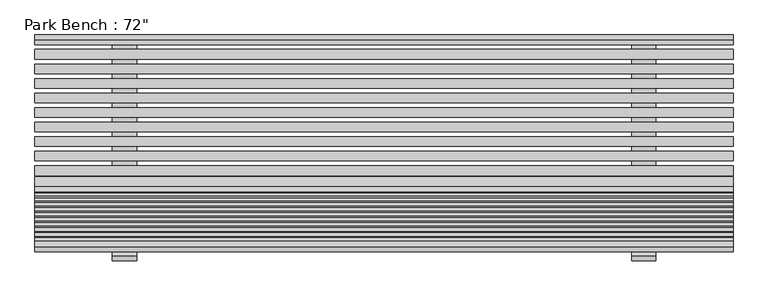
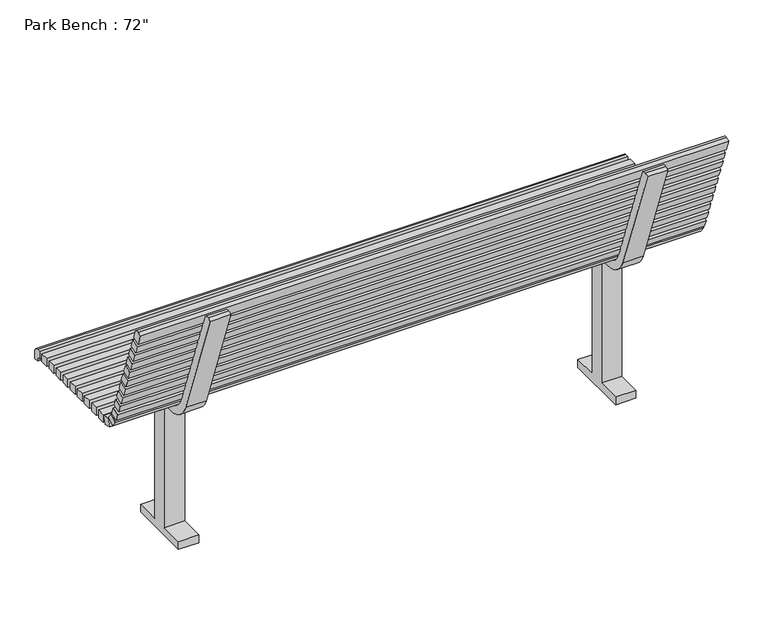
"""IFC4 building model written with IfcOpenShell, lengths in millimetres: geographic element geometry."""

import ifcopenshell
import ifcopenshell.guid

model = None  # the IFC model being written
_history = None  # IfcOwnerHistory: only IFC2X3 demands one
_inside = {}  # id of a spatial element -> (the spatial element, [elements in it])
_under = {}  # id of a project, library or spatial element -> (it, [spatial elements below it])
_declared = {}  # id of a project -> (the project, [libraries it declares])
_typed = {}  # id of a type object -> (the type object, [elements of that type])
_made_of = {}  # id of a material, layer set ... -> (it, [elements and type objects made of it])


def new_model(schema):
    """Start an empty IFC model of exactly this schema.

    Asked for "IFC4X3", IfcOpenShell would pick the latest addendum, in which some entities
    have other attributes; the version numbers below select the first issue.
    IFC2X3 requires an IfcOwnerHistory on every rooted entity: one is made here for all.
    """
    global model, _history
    if schema == "IFC4X3":
        model = ifcopenshell.file(schema_version=(4, 3, 0, 0))
    else:
        model = ifcopenshell.file(schema=schema)
    _inside.clear()
    _under.clear()
    _declared.clear()
    _typed.clear()
    _made_of.clear()
    _history = None
    if model.schema == "IFC2X3":
        org = make("IfcOrganization", Name="unknown")
        user = make(
            "IfcPersonAndOrganization",
            ThePerson=make("IfcPerson", FamilyName="unknown"),
            TheOrganization=org,
        )
        app = make(
            "IfcApplication",
            ApplicationDeveloper=org,
            Version="unknown",
            ApplicationFullName="unknown",
            ApplicationIdentifier="unknown",
        )
        _history = make(
            "IfcOwnerHistory",
            OwningUser=user,
            OwningApplication=app,
            ChangeAction="ADDED",
            CreationDate=0,
        )
    return model


def make(cls, **values):
    """One entity of the class cls with the attributes given. An attribute that is None is left unset."""
    return model.create_entity(
        cls, **{name: value for name, value in values.items() if value is not None}
    )


def rooted(cls, **values):
    """An entity with a GlobalId (a new one), such as an element, a storey or a relation."""
    return make(cls, GlobalId=ifcopenshell.guid.new(), OwnerHistory=_history, **values)


def si_unit(unit_type, name, prefix=None):
    """IfcSIUnit, for example si_unit("LENGTHUNIT", "METRE", prefix="MILLI")."""
    return make("IfcSIUnit", UnitType=unit_type, Prefix=prefix, Name=name)


def assignment(units):
    """IfcUnitAssignment: the units of a project."""
    return None if units is None else make("IfcUnitAssignment", Units=units)


def point(xyz):
    """IfcCartesianPoint."""
    return None if xyz is None else make("IfcCartesianPoint", Coordinates=xyz)


def direction(xyz):
    """IfcDirection."""
    return None if xyz is None else make("IfcDirection", DirectionRatios=xyz)


def frame(location, z_axis=None, x_axis=None):
    """IfcAxis2Placement3D, a coordinate frame: its origin and axes. An axis left out is left unset."""
    return make(
        "IfcAxis2Placement3D",
        Location=point(location),
        Axis=direction(z_axis),
        RefDirection=direction(x_axis),
    )


def frame_2d(location, x_axis=None):
    """IfcAxis2Placement2D, a coordinate frame in the plane: its origin and x axis."""
    return make(
        "IfcAxis2Placement2D", Location=point(location), RefDirection=direction(x_axis)
    )


def origin():
    """The frame at (0, 0, 0) with its axes left unset."""
    return frame((0.0, 0.0, 0.0))


def place(relative_to, where):
    """IfcLocalPlacement: puts the frame where relative to a parent placement (None: the world)."""
    return make(
        "IfcLocalPlacement", PlacementRelTo=relative_to, RelativePlacement=where
    )


def context(
    kind, dimensions, precision=None, world=None, true_north=None, identifier=None
):
    """IfcGeometricRepresentationContext, for example the 3D "Model" context."""
    return make(
        "IfcGeometricRepresentationContext",
        ContextIdentifier=identifier,
        ContextType=kind,
        CoordinateSpaceDimension=dimensions,
        Precision=precision,
        WorldCoordinateSystem=world,
        TrueNorth=true_north,
    )


def project(units=None, contexts=None):
    """IfcProject with its units and contexts."""
    return rooted(
        "IfcProject",
        Name="project",
        RepresentationContexts=contexts,
        UnitsInContext=assignment(units),
    )


def spatial(cls, under=None, at=None, **own):
    """A site, building, storey or space (cls), placed at a placement, below another one or the project."""
    s = rooted(cls, ObjectPlacement=at, **own)
    if under is not None:
        _under.setdefault(under.id(), (under, []))[1].append(s)
    return s


def polyline(points):
    """IfcPolyline through the points."""
    return make("IfcPolyline", Points=[point(p) for p in points])


def circle_curve(where, radius):
    """IfcCircle in the frame where."""
    return make("IfcCircle", Position=where, Radius=radius)


def trimmed(basis, trim1, trim2, sense, master):
    """IfcTrimmedCurve: the piece of a basis curve between two trims."""
    return make(
        "IfcTrimmedCurve",
        BasisCurve=basis,
        Trim1=trim1,
        Trim2=trim2,
        SenseAgreement=sense,
        MasterRepresentation=master,
    )


def segment(curve, same_sense, transition):
    """IfcCompositeCurveSegment."""
    return make(
        "IfcCompositeCurveSegment",
        Transition=transition,
        SameSense=same_sense,
        ParentCurve=curve,
    )


def composite_curve(segments, self_intersect=None):
    """IfcCompositeCurve: segments joined end to end."""
    return make("IfcCompositeCurve", Segments=segments, SelfIntersect=self_intersect)


def outline(outer, holes=None, kind="AREA"):
    """IfcArbitraryClosedProfileDef: a profile drawn as a closed curve; with holes, ...WithVoids."""
    if holes is None:
        return make("IfcArbitraryClosedProfileDef", ProfileType=kind, OuterCurve=outer)
    return make(
        "IfcArbitraryProfileDefWithVoids",
        ProfileType=kind,
        OuterCurve=outer,
        InnerCurves=holes,
    )


def extrude(swept, where, along, depth):
    """IfcExtrudedAreaSolid: the profile swept, set in the frame where, extruded along a direction by depth."""
    return make(
        "IfcExtrudedAreaSolid",
        SweptArea=swept,
        Position=where,
        ExtrudedDirection=direction(along),
        Depth=depth,
    )


def shape(context_of_items, identifier, shape_type, items):
    """IfcShapeRepresentation: the items that make up one representation, for example the "Body"."""
    return make(
        "IfcShapeRepresentation",
        ContextOfItems=context_of_items,
        RepresentationIdentifier=identifier,
        RepresentationType=shape_type,
        Items=items,
    )


def source(mapping_origin, context_of_items, identifier, shape_type, items):
    """IfcRepresentationMap: a shape defined once, which mapped items show again and again."""
    return make(
        "IfcRepresentationMap",
        MappingOrigin=mapping_origin,
        MappedRepresentation=shape(context_of_items, identifier, shape_type, items),
    )


def transform(
    local_origin,
    x_axis=None,
    y_axis=None,
    z_axis=None,
    scale=None,
    scale2=None,
    scale3=None,
    uniform=True,
):
    """IfcCartesianTransformationOperator3D, or its non-uniform kind. x_axis, y_axis, z_axis: its Axis1, 2, 3."""
    if uniform:
        return make(
            "IfcCartesianTransformationOperator3D",
            Axis1=direction(x_axis),
            Axis2=direction(y_axis),
            LocalOrigin=point(local_origin),
            Scale=scale,
            Axis3=direction(z_axis),
        )
    return make(
        "IfcCartesianTransformationOperator3DnonUniform",
        Axis1=direction(x_axis),
        Axis2=direction(y_axis),
        LocalOrigin=point(local_origin),
        Scale=scale,
        Axis3=direction(z_axis),
        Scale2=scale2,
        Scale3=scale3,
    )


def mapped(mapping_source, mapping_target):
    """IfcMappedItem: shows the shape of a source again, moved by a transform."""
    return make(
        "IfcMappedItem", MappingSource=mapping_source, MappingTarget=mapping_target
    )


def made_of(thing, what):
    """Note that an element or type object is made of a material, layer set ...; save() writes the relation."""
    if what is not None:
        _made_of.setdefault(what.id(), (what, []))[1].append(thing)
    return thing


def element(
    cls,
    number,
    at=None,
    inside=None,
    cuts=None,
    type_object=None,
    material=None,
    context=None,
    identifier="Body",
    shape_type=None,
    held_by="IfcProductDefinitionShape",
    body=None,
    shapes=None,
    **own,
):
    """One element of the class cls, such as IfcWall. Its Tag is "e" and its number.

    at: its placement. inside: the storey or other place that contains it. cuts: it is an
    opening in that element (IfcRelVoidsElement). A single representation is given by context,
    identifier, shape_type and body (its items); several are given by shapes. held_by: the class
    of the entity that holds the representations. save() writes the other relations.
    """
    e = rooted(cls, Tag="e%d" % number, ObjectPlacement=at, **own)
    if body is not None:
        shapes = [shape(context, identifier, shape_type, body)]
    if shapes is not None:
        e.Representation = make(held_by, Representations=shapes)
    if inside is not None:
        _inside.setdefault(inside.id(), (inside, []))[1].append(e)
    if cuts is not None:
        rooted(
            "IfcRelVoidsElement", RelatingBuildingElement=cuts, RelatedOpeningElement=e
        )
    if type_object is not None:
        _typed.setdefault(type_object.id(), (type_object, []))[1].append(e)
    return made_of(e, material)


def aggregate(whole, parts):
    """IfcRelAggregates: a whole, such as a stair, and the parts it consists of."""
    return rooted("IfcRelAggregates", RelatingObject=whole, RelatedObjects=parts)


def save(model, path):
    """Write the relations noted so far, then the file.

    IfcRelAggregates (storeys below a building ...), IfcRelContainedInSpatialStructure (elements
    in a storey), IfcRelDefinesByType, IfcRelAssociatesMaterial and IfcRelDeclares: one each for
    every whole, place, type object, material and project.
    """
    for whole, parts in _under.values():
        aggregate(whole, parts)
    for where, things in _inside.values():
        rooted(
            "IfcRelContainedInSpatialStructure",
            RelatedElements=things,
            RelatingStructure=where,
        )
    for kind, things in _typed.values():
        rooted("IfcRelDefinesByType", RelatedObjects=things, RelatingType=kind)
    for what, things in _made_of.values():
        rooted("IfcRelAssociatesMaterial", RelatedObjects=things, RelatingMaterial=what)
    for by, libraries in _declared.values():
        rooted("IfcRelDeclares", RelatingContext=by, RelatedDefinitions=libraries)
    model.write(path)


def geographic_element_30d24cd2(model_context):
    return source(origin(), model_context, "Body", "SweptSolid", [
        extrude(outline(polyline([(914.4, 255.4337104), (-914.4, 255.4337104), (-914.4, 280.8337104), (914.4, 280.8337104), (914.4, 255.4337104)])), frame((0.0, 0.0, 457.2), z_axis=(0.0, 0.0, 1.0), x_axis=(1.0, 0.0, 0.0)), (0.0, 0.0, 1.0), 25.4),
        extrude(outline(polyline([(914.4, 217.3337104), (-914.4, 217.3337104), (-914.4, 242.7337104), (914.4, 242.7337104), (914.4, 217.3337104)])), frame((0.0, 0.0, 457.2), z_axis=(0.0, 0.0, 1.0), x_axis=(1.0, 0.0, 0.0)), (0.0, 0.0, 1.0), 25.4),
        extrude(outline(polyline([(914.4, 179.2337104), (-914.4, 179.2337104), (-914.4, 204.6337104), (914.4, 204.6337104), (914.4, 179.2337104)])), frame((0.0, 0.0, 457.2), z_axis=(0.0, 0.0, 1.0), x_axis=(1.0, 0.0, 0.0)), (0.0, 0.0, 1.0), 25.4),
        extrude(outline(polyline([(914.4, 141.1337104), (-914.4, 141.1337104), (-914.4, 166.5337104), (914.4, 166.5337104), (914.4, 141.1337104)])), frame((0.0, 0.0, 457.2), z_axis=(0.0, 0.0, 1.0), x_axis=(1.0, 0.0, 0.0)), (0.0, 0.0, 1.0), 25.4),
        extrude(outline(polyline([(914.4, 103.0337104), (-914.4, 103.0337104), (-914.4, 128.4337104), (914.4, 128.4337104), (914.4, 103.0337104)])), frame((0.0, 0.0, 457.2), z_axis=(0.0, 0.0, 1.0), x_axis=(1.0, 0.0, 0.0)), (0.0, 0.0, 1.0), 25.4),
        extrude(outline(polyline([(914.4, 64.9337104), (-914.4, 64.9337104), (-914.4, 90.3337104), (914.4, 90.3337104), (914.4, 64.9337104)])), frame((0.0, 0.0, 457.2), z_axis=(0.0, 0.0, 1.0), x_axis=(1.0, 0.0, 0.0)), (0.0, 0.0, 1.0), 25.4),
        extrude(outline(polyline([(914.4, 26.8337104), (-914.4, 26.8337104), (-914.4, 52.2337104), (914.4, 52.2337104), (914.4, 26.8337104)])), frame((0.0, 0.0, 457.2), z_axis=(0.0, 0.0, 1.0), x_axis=(1.0, 0.0, 0.0)), (0.0, 0.0, 1.0), 25.4),
        extrude(outline(polyline([(914.4, -11.2662896), (-914.4, -11.2662896), (-914.4, 14.1337104), (914.4, 14.1337104), (914.4, -11.2662896)])), frame((0.0, 0.0, 457.2), z_axis=(0.0, 0.0, 1.0), x_axis=(1.0, 0.0, 0.0)), (0.0, 0.0, 1.0), 25.4),
        extrude(outline(polyline([(914.4, -49.3662896), (-914.4, -49.3662896), (-914.4, -23.9662896), (914.4, -23.9662896), (914.4, -49.3662896)])), frame((0.0, 0.0, 457.2), z_axis=(0.0, 0.0, 1.0), x_axis=(1.0, 0.0, 0.0)), (0.0, 0.0, 1.0), 25.4),
        extrude(outline(composite_curve([segment(polyline([(304.8, 457.2), (293.5337104, 457.2), (293.5337104, 482.6), (304.6462104, 482.6)]), True, "CONTINUOUS"), segment(trimmed(circle_curve(frame_2d((304.6462104, 468.3125)), 14.2875), [point((304.6462104, 482.6))], [point((318.9337104, 468.3125))], False, "CARTESIAN"), True, "CONTINUOUS"), segment(polyline([(318.9337104, 468.3125), (318.9337104, 444.5), (304.8, 444.5), (304.8, 457.2)]), True, "CONTINUOUS")], self_intersect=False)), frame((-914.4, 0.0, 0.0), z_axis=(1.0, 0.0, 0.0), x_axis=(0.0, 1.0, 0.0)), (0.0, 0.0, 1.0), 1828.8),
        extrude(outline(polyline([(0.0, 25.4), (1828.8, 25.4), (1828.8, 0.0), (0.0, 0.0), (0.0, 25.4)])), frame((914.4, -121.2738625, 585.5181247), z_axis=(0.0, -0.342020143325687, 0.9396926207859018), x_axis=(-1.0, 0.0, 0.0)), (0.0, 0.0, 1.0), 25.4),
        extrude(outline(polyline([(0.0, 25.4), (1828.8, 25.4), (1828.8, 0.0), (0.0, 0.0), (0.0, 25.4)])), frame((914.4, -134.30483, 621.3204136), z_axis=(0.0, -0.34202014332568254, 0.9396926207859034), x_axis=(-1.0, 0.0, 0.0)), (0.0, 0.0, 1.0), 25.4),
        extrude(outline(polyline([(0.0, 25.3999999), (1828.8, 25.3999999), (1828.8, 0.0), (0.0, 0.0), (0.0, 25.3999999)])), frame((914.4, -95.2119276, 513.913547), z_axis=(0.0, -0.34202014332568254, 0.9396926207859034), x_axis=(-1.0, 0.0, 0.0)), (0.0, 0.0, 1.0), 25.4),
        extrude(outline(polyline([(0.0, 25.4000001), (1828.8, 25.4000001), (1828.8, 0.0), (0.0, 0.0), (0.0, 25.4000001)])), frame((914.4, -108.242895, 549.7158359), z_axis=(0.0, -0.34202014332567804, 0.9396926207859051), x_axis=(-1.0, 0.0, 0.0)), (0.0, 0.0, 1.0), 25.4),
        extrude(outline(polyline([(0.0, 25.4), (1828.8, 25.4), (1828.8, 0.0), (0.0, 0.0), (0.0, 25.4)])), frame((914.4, -173.3977323, 728.7272801), z_axis=(0.0, -0.34202014332568337, 0.9396926207859031), x_axis=(-1.0, 0.0, 0.0)), (0.0, 0.0, 1.0), 25.4),
        extrude(outline(polyline([(0.0, 25.4000001), (1828.8, 25.4000001), (1828.8, 0.0), (0.0, 0.0), (0.0, 25.4000001)])), frame((914.4, -186.4286998, 764.529569), z_axis=(0.0, -0.3420201433256829, 0.9396926207859032), x_axis=(-1.0, 0.0, 0.0)), (0.0, 0.0, 1.0), 25.4),
        extrude(outline(polyline([(0.0, 25.4), (1828.8, 25.4), (1828.8, 0.0), (0.0, 0.0), (0.0, 25.4)])), frame((914.4, -147.3357974, 657.1227024), z_axis=(0.0, -0.3420201433256776, 0.9396926207859052), x_axis=(-1.0, 0.0, 0.0)), (0.0, 0.0, 1.0), 25.4),
        extrude(outline(polyline([(0.0, 25.4), (1828.8, 25.4), (1828.8, 0.0), (0.0, 0.0), (0.0, 25.4)])), frame((914.4, -160.3667649, 692.9249913), z_axis=(0.0, -0.34202014332568254, 0.9396926207859034), x_axis=(-1.0, 0.0, 0.0)), (0.0, 0.0, 1.0), 25.4),
        extrude(outline(polyline([(0.0, 25.3999999), (1828.8, 25.3999999), (1828.8, 0.0), (0.0, 0.0), (0.0, 25.3999999)])), frame((914.4, -199.4596673, 800.3318578), z_axis=(0.0, -0.3420201433256774, 0.9396926207859052), x_axis=(-1.0, 0.0, 0.0)), (0.0, 0.0, 1.0), 25.4),
        extrude(outline(composite_curve([segment(polyline([(-249.3897948, 863.2491239), (-237.4556985, 867.5927797)]), True, "CONTINUOUS"), segment(trimmed(circle_curve(frame_2d((-233.1120426, 855.6586834)), 12.7), [point((-237.4556985, 867.5927797))], [point((-221.1779464, 860.0023393))], False, "CARTESIAN"), True, "CONTINUOUS"), segment(polyline([(-221.1779464, 860.0023393), (-212.4906347, 836.1341467), (-236.3588273, 827.4468351), (-249.3897948, 863.2491239)]), True, "CONTINUOUS")], self_intersect=False)), frame((-914.4, 0.0, 0.0), z_axis=(1.0, 0.0, 0.0), x_axis=(0.0, 1.0, 0.0)), (0.0, 0.0, 1.0), 1828.8),
        extrude(outline(polyline([(0.0, 25.4), (1828.8, 25.4), (1828.8, 0.0), (0.0, 0.0), (0.0, 25.4)])), frame((914.4, -78.7855779, 490.7267336), z_axis=(0.0, -0.5735764363510742, 0.8191520442889721), x_axis=(-1.0, 0.0, 0.0)), (0.0, 0.0, 1.0), 25.4),
        extrude(outline(polyline([(0.0, 25.4), (1828.8, 25.4), (1828.8, 0.0), (0.0, 0.0), (0.0, 25.4)])), frame((914.4, -59.0817015, 457.2297909), z_axis=(0.0, 0.2588190451024684, 0.9659258262890824), x_axis=(-1.0, 0.0, 0.0)), (0.0, 0.0, 1.0), 25.4),
        extrude(outline(composite_curve([segment(polyline([(101.6, 25.4), (101.6, 0.0), (-101.6, 0.0), (-101.6, 25.4), (-25.4, 25.4), (-25.4, 431.8), (-57.1368213, 431.8)]), True, "CONTINUOUS"), segment(trimmed(circle_curve(frame_2d((-57.1368213, 520.7)), 88.9), [point((-57.1368213, 431.8))], [point((-140.6754953, 490.2944093))], False, "CARTESIAN"), True, "CONTINUOUS"), segment(polyline([(-140.6754953, 490.2944093), (-273.1524905, 854.271962), (-261.2183942, 858.6156178)]), True, "CONTINUOUS"), segment(trimmed(circle_curve(frame_2d((-256.8747384, 846.6815216)), 12.7), [point((-261.2183942, 858.6156178))], [point((-244.9406421, 851.0251774))], False, "CARTESIAN"), True, "CONTINUOUS"), segment(polyline([(-244.9406421, 851.0251774), (-116.8073027, 498.9817209)]), True, "CONTINUOUS"), segment(trimmed(circle_curve(frame_2d((-57.1368213, 520.7)), 63.5), [point((-116.8073027, 498.9817209))], [point((-57.1368213, 457.2))], True, "CARTESIAN"), True, "CONTINUOUS"), segment(polyline([(-57.1368213, 457.2), (304.8, 457.2), (304.8, 431.8), (25.4, 431.8), (25.4, 25.4), (101.6, 25.4)]), True, "CONTINUOUS")], self_intersect=False)), frame((648.3736591, 0.0, 0.0), z_axis=(1.0, 0.0, 0.0), x_axis=(0.0, 1.0, 0.0)), (0.0, 0.0, 1.0), 62.8263409),
        extrude(outline(composite_curve([segment(polyline([(101.6, 25.4), (101.6, 0.0), (-101.6, 0.0), (-101.6, 25.4), (-25.4, 25.4), (-25.4, 431.8), (-57.1368213, 431.8)]), True, "CONTINUOUS"), segment(trimmed(circle_curve(frame_2d((-57.1368213, 520.7)), 88.9), [point((-57.1368213, 431.8))], [point((-140.6754953, 490.2944093))], False, "CARTESIAN"), True, "CONTINUOUS"), segment(polyline([(-140.6754953, 490.2944093), (-273.1524905, 854.271962), (-261.2183942, 858.6156178)]), True, "CONTINUOUS"), segment(trimmed(circle_curve(frame_2d((-256.8747384, 846.6815216)), 12.7), [point((-261.2183942, 858.6156178))], [point((-244.9406421, 851.0251774))], False, "CARTESIAN"), True, "CONTINUOUS"), segment(polyline([(-244.9406421, 851.0251774), (-116.8073027, 498.9817209)]), True, "CONTINUOUS"), segment(trimmed(circle_curve(frame_2d((-57.1368213, 520.7)), 63.5), [point((-116.8073027, 498.9817209))], [point((-57.1368213, 457.2))], True, "CARTESIAN"), True, "CONTINUOUS"), segment(polyline([(-57.1368213, 457.2), (304.8, 457.2), (304.8, 431.8), (25.4, 431.8), (25.4, 25.4), (101.6, 25.4)]), True, "CONTINUOUS")], self_intersect=False)), frame((-711.2, 0.0, 0.0), z_axis=(1.0, 0.0, 0.0), x_axis=(0.0, 1.0, 0.0)), (0.0, 0.0, 1.0), 63.8916859),
    ])


if __name__ == "__main__":
    model = new_model("IFC4")
    model_context = context("Model", 3, world=origin())
    ifc_project = project(units=[si_unit("LENGTHUNIT", "METRE", prefix="MILLI")], contexts=[model_context])
    site = spatial("IfcSite", under=ifc_project)
    building = spatial("IfcBuilding", under=site)
    placement = place(None, origin())
    geographic_element_shape = geographic_element_30d24cd2(model_context)
    element("IfcGeographicElement", 1, ObjectType="Park Bench : 72\"", at=placement, inside=building, context=model_context, shape_type="MappedRepresentation", body=[
        mapped(geographic_element_shape, transform((0.0, 0.0, 0.0), x_axis=(1.0, 0.0, 0.0), y_axis=(0.0, 1.0, 0.0), z_axis=(0.0, 0.0, 1.0))),
    ])
    save(model, "model.ifc")
